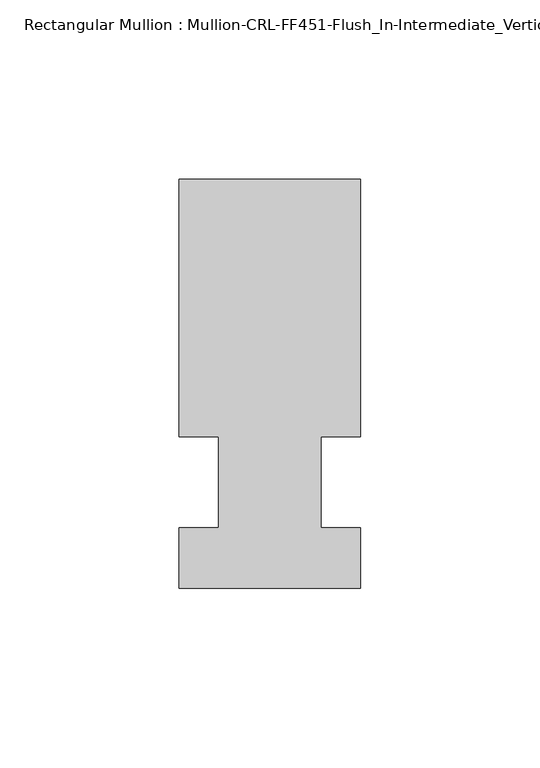
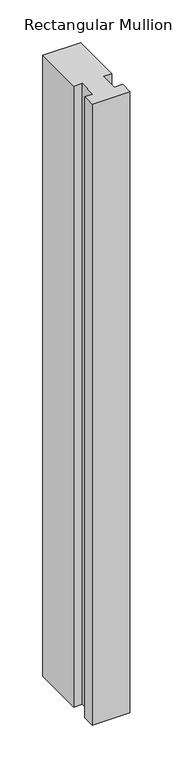
"""IFC4 building model written with IfcOpenShell, lengths in millimetres: member geometry, Rectangular Mullion : Mullion-CRL-FF451-Flush_In-Intermediate_Vertical-Ext."""

import ifcopenshell
import ifcopenshell.guid

model = None  # the IFC model being written
_history = None  # IfcOwnerHistory: only IFC2X3 demands one
_inside = {}  # id of a spatial element -> (the spatial element, [elements in it])
_under = {}  # id of a project, library or spatial element -> (it, [spatial elements below it])
_declared = {}  # id of a project -> (the project, [libraries it declares])
_typed = {}  # id of a type object -> (the type object, [elements of that type])
_made_of = {}  # id of a material, layer set ... -> (it, [elements and type objects made of it])


def new_model(schema):
    """Start an empty IFC model of exactly this schema.

    Asked for "IFC4X3", IfcOpenShell would pick the latest addendum, in which some entities
    have other attributes; the version numbers below select the first issue.
    IFC2X3 requires an IfcOwnerHistory on every rooted entity: one is made here for all.
    """
    global model, _history
    if schema == "IFC4X3":
        model = ifcopenshell.file(schema_version=(4, 3, 0, 0))
    else:
        model = ifcopenshell.file(schema=schema)
    _inside.clear()
    _under.clear()
    _declared.clear()
    _typed.clear()
    _made_of.clear()
    _history = None
    if model.schema == "IFC2X3":
        org = make("IfcOrganization", Name="unknown")
        user = make(
            "IfcPersonAndOrganization",
            ThePerson=make("IfcPerson", FamilyName="unknown"),
            TheOrganization=org,
        )
        app = make(
            "IfcApplication",
            ApplicationDeveloper=org,
            Version="unknown",
            ApplicationFullName="unknown",
            ApplicationIdentifier="unknown",
        )
        _history = make(
            "IfcOwnerHistory",
            OwningUser=user,
            OwningApplication=app,
            ChangeAction="ADDED",
            CreationDate=0,
        )
    return model


def make(cls, **values):
    """One entity of the class cls with the attributes given. An attribute that is None is left unset."""
    return model.create_entity(
        cls, **{name: value for name, value in values.items() if value is not None}
    )


def rooted(cls, **values):
    """An entity with a GlobalId (a new one), such as an element, a storey or a relation."""
    return make(cls, GlobalId=ifcopenshell.guid.new(), OwnerHistory=_history, **values)


def si_unit(unit_type, name, prefix=None):
    """IfcSIUnit, for example si_unit("LENGTHUNIT", "METRE", prefix="MILLI")."""
    return make("IfcSIUnit", UnitType=unit_type, Prefix=prefix, Name=name)


def assignment(units):
    """IfcUnitAssignment: the units of a project."""
    return None if units is None else make("IfcUnitAssignment", Units=units)


def point(xyz):
    """IfcCartesianPoint."""
    return None if xyz is None else make("IfcCartesianPoint", Coordinates=xyz)


def direction(xyz):
    """IfcDirection."""
    return None if xyz is None else make("IfcDirection", DirectionRatios=xyz)


def frame(location, z_axis=None, x_axis=None):
    """IfcAxis2Placement3D, a coordinate frame: its origin and axes. An axis left out is left unset."""
    return make(
        "IfcAxis2Placement3D",
        Location=point(location),
        Axis=direction(z_axis),
        RefDirection=direction(x_axis),
    )


def origin():
    """The frame at (0, 0, 0) with its axes left unset."""
    return frame((0.0, 0.0, 0.0))


def place(relative_to, where):
    """IfcLocalPlacement: puts the frame where relative to a parent placement (None: the world)."""
    return make(
        "IfcLocalPlacement", PlacementRelTo=relative_to, RelativePlacement=where
    )


def context(
    kind, dimensions, precision=None, world=None, true_north=None, identifier=None
):
    """IfcGeometricRepresentationContext, for example the 3D "Model" context."""
    return make(
        "IfcGeometricRepresentationContext",
        ContextIdentifier=identifier,
        ContextType=kind,
        CoordinateSpaceDimension=dimensions,
        Precision=precision,
        WorldCoordinateSystem=world,
        TrueNorth=true_north,
    )


def project(units=None, contexts=None):
    """IfcProject with its units and contexts."""
    return rooted(
        "IfcProject",
        Name="project",
        RepresentationContexts=contexts,
        UnitsInContext=assignment(units),
    )


def spatial(cls, under=None, at=None, **own):
    """A site, building, storey or space (cls), placed at a placement, below another one or the project."""
    s = rooted(cls, ObjectPlacement=at, **own)
    if under is not None:
        _under.setdefault(under.id(), (under, []))[1].append(s)
    return s


def polyline(points):
    """IfcPolyline through the points."""
    return make("IfcPolyline", Points=[point(p) for p in points])


def outline(outer, holes=None, kind="AREA"):
    """IfcArbitraryClosedProfileDef: a profile drawn as a closed curve; with holes, ...WithVoids."""
    if holes is None:
        return make("IfcArbitraryClosedProfileDef", ProfileType=kind, OuterCurve=outer)
    return make(
        "IfcArbitraryProfileDefWithVoids",
        ProfileType=kind,
        OuterCurve=outer,
        InnerCurves=holes,
    )


def extrude(swept, where, along, depth):
    """IfcExtrudedAreaSolid: the profile swept, set in the frame where, extruded along a direction by depth."""
    return make(
        "IfcExtrudedAreaSolid",
        SweptArea=swept,
        Position=where,
        ExtrudedDirection=direction(along),
        Depth=depth,
    )


def shape(context_of_items, identifier, shape_type, items):
    """IfcShapeRepresentation: the items that make up one representation, for example the "Body"."""
    return make(
        "IfcShapeRepresentation",
        ContextOfItems=context_of_items,
        RepresentationIdentifier=identifier,
        RepresentationType=shape_type,
        Items=items,
    )


def source(mapping_origin, context_of_items, identifier, shape_type, items):
    """IfcRepresentationMap: a shape defined once, which mapped items show again and again."""
    return make(
        "IfcRepresentationMap",
        MappingOrigin=mapping_origin,
        MappedRepresentation=shape(context_of_items, identifier, shape_type, items),
    )


def transform(
    local_origin,
    x_axis=None,
    y_axis=None,
    z_axis=None,
    scale=None,
    scale2=None,
    scale3=None,
    uniform=True,
):
    """IfcCartesianTransformationOperator3D, or its non-uniform kind. x_axis, y_axis, z_axis: its Axis1, 2, 3."""
    if uniform:
        return make(
            "IfcCartesianTransformationOperator3D",
            Axis1=direction(x_axis),
            Axis2=direction(y_axis),
            LocalOrigin=point(local_origin),
            Scale=scale,
            Axis3=direction(z_axis),
        )
    return make(
        "IfcCartesianTransformationOperator3DnonUniform",
        Axis1=direction(x_axis),
        Axis2=direction(y_axis),
        LocalOrigin=point(local_origin),
        Scale=scale,
        Axis3=direction(z_axis),
        Scale2=scale2,
        Scale3=scale3,
    )


def mapped(mapping_source, mapping_target):
    """IfcMappedItem: shows the shape of a source again, moved by a transform."""
    return make(
        "IfcMappedItem", MappingSource=mapping_source, MappingTarget=mapping_target
    )


def made_of(thing, what):
    """Note that an element or type object is made of a material, layer set ...; save() writes the relation."""
    if what is not None:
        _made_of.setdefault(what.id(), (what, []))[1].append(thing)
    return thing


def element(
    cls,
    number,
    at=None,
    inside=None,
    cuts=None,
    type_object=None,
    material=None,
    context=None,
    identifier="Body",
    shape_type=None,
    held_by="IfcProductDefinitionShape",
    body=None,
    shapes=None,
    **own,
):
    """One element of the class cls, such as IfcWall. Its Tag is "e" and its number.

    at: its placement. inside: the storey or other place that contains it. cuts: it is an
    opening in that element (IfcRelVoidsElement). A single representation is given by context,
    identifier, shape_type and body (its items); several are given by shapes. held_by: the class
    of the entity that holds the representations. save() writes the other relations.
    """
    e = rooted(cls, Tag="e%d" % number, ObjectPlacement=at, **own)
    if body is not None:
        shapes = [shape(context, identifier, shape_type, body)]
    if shapes is not None:
        e.Representation = make(held_by, Representations=shapes)
    if inside is not None:
        _inside.setdefault(inside.id(), (inside, []))[1].append(e)
    if cuts is not None:
        rooted(
            "IfcRelVoidsElement", RelatingBuildingElement=cuts, RelatedOpeningElement=e
        )
    if type_object is not None:
        _typed.setdefault(type_object.id(), (type_object, []))[1].append(e)
    return made_of(e, material)


def aggregate(whole, parts):
    """IfcRelAggregates: a whole, such as a stair, and the parts it consists of."""
    return rooted("IfcRelAggregates", RelatingObject=whole, RelatedObjects=parts)


def save(model, path):
    """Write the relations noted so far, then the file.

    IfcRelAggregates (storeys below a building ...), IfcRelContainedInSpatialStructure (elements
    in a storey), IfcRelDefinesByType, IfcRelAssociatesMaterial and IfcRelDeclares: one each for
    every whole, place, type object, material and project.
    """
    for whole, parts in _under.values():
        aggregate(whole, parts)
    for where, things in _inside.values():
        rooted(
            "IfcRelContainedInSpatialStructure",
            RelatedElements=things,
            RelatingStructure=where,
        )
    for kind, things in _typed.values():
        rooted("IfcRelDefinesByType", RelatedObjects=things, RelatingType=kind)
    for what, things in _made_of.values():
        rooted("IfcRelAssociatesMaterial", RelatedObjects=things, RelatingMaterial=what)
    for by, libraries in _declared.values():
        rooted("IfcRelDeclares", RelatingContext=by, RelatedDefinitions=libraries)
    model.write(path)


def rectangular_mullion_mullion_crl_ff451_flush_in_intermediate_2f383d0f(model_context):
    return source(origin(), model_context, "Body", "SweptSolid", [
        extrude(outline(polyline([(25.4, -12.7), (25.4, -29.6454132), (-25.4, -29.6454132), (-25.4, -12.7), (-14.2875, -12.7), (-14.2875, 12.7), (-25.4, 12.7), (-25.4, 84.6545868), (25.4, 84.6545868), (25.4, 12.7), (14.2875, 12.7), (14.2875, -12.7), (25.4, -12.7)])), frame((0.0, 0.0, -882.65), z_axis=(0.0, 0.0, 1.0), x_axis=(1.0, 0.0, 0.0)), (0.0, 0.0, 1.0), 882.65),
    ])


if __name__ == "__main__":
    model = new_model("IFC4")
    model_context = context("Model", 3, world=origin())
    ifc_project = project(units=[si_unit("LENGTHUNIT", "METRE", prefix="MILLI")], contexts=[model_context])
    site = spatial("IfcSite", under=ifc_project)
    building = spatial("IfcBuilding", under=site)
    placement = place(None, origin())
    rectangular_mullion_mullion_crl_ff451_flush_in_intermediate_shape = rectangular_mullion_mullion_crl_ff451_flush_in_intermediate_2f383d0f(model_context)
    element("IfcMember", 1, ObjectType="Rectangular Mullion : Mullion-CRL-FF451-Flush_In-Intermediate_Vertical-Ext", at=placement, inside=building, context=model_context, shape_type="MappedRepresentation", body=[
        mapped(rectangular_mullion_mullion_crl_ff451_flush_in_intermediate_shape, transform((0.0, 0.0, 0.0), x_axis=(1.0, 0.0, 0.0), y_axis=(0.0, 1.0, 0.0), z_axis=(0.0, 0.0, 1.0))),
    ])
    save(model, "model.ifc")
